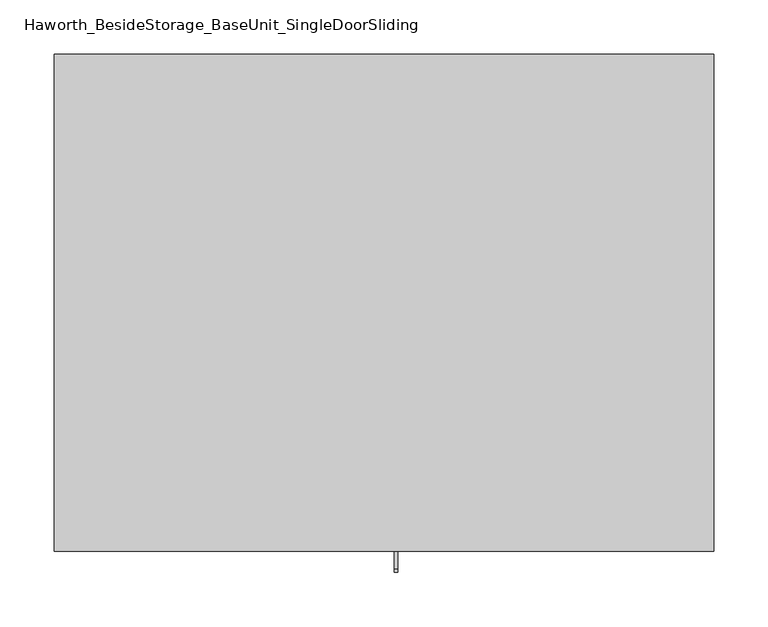
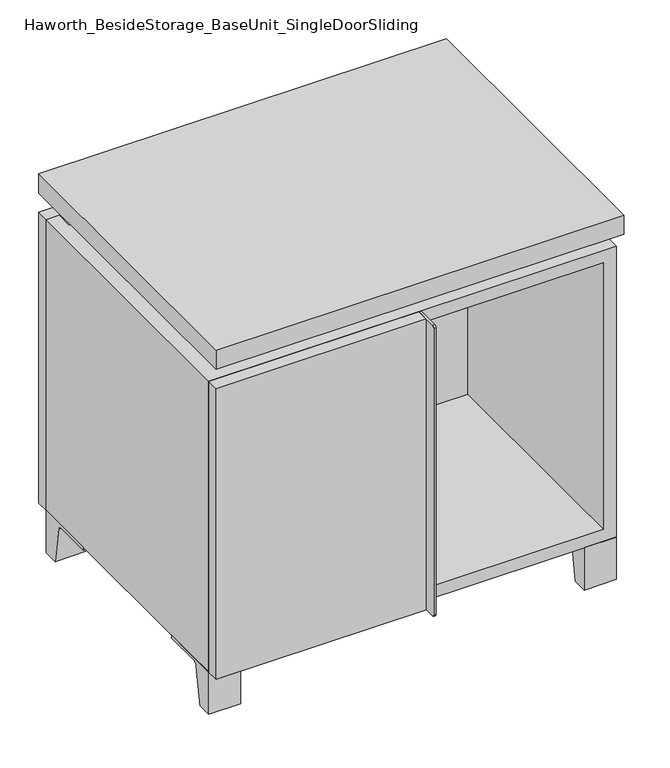
"""IFC4 building model written with IfcOpenShell, lengths in millimetres: furniture geometry, Haworth_BesideStorage_BaseUnit_SingleDoorSliding."""

from ifc_helpers import new_model, si_unit, point, frame, frame_2d, origin, place, context, project, spatial, polyline, circle_curve, trimmed, segment, composite_curve, outline, extrude, faceted_brep, source, transform, mapped, element, save


def haworth_besidestorage_baseunit_singledoorsliding_4966c2f8(model_context):
    return source(origin(), model_context, "Body", "SolidModel", [
        extrude(outline(composite_curve([segment(polyline([(-123.2958469, 0.0), (-146.05, 0.0), (-146.05, 66.675), (-50.8, 66.675), (-50.8, 61.8963321), (-107.6005345, 61.8963321)]), True, "CONTINUOUS"), segment(trimmed(circle_curve(frame_2d((-107.6005345, 55.5463321)), 6.35), [point((-107.6005345, 61.8963321))], [point((-113.8641359, 56.5902656))], True, "CARTESIAN"), True, "CONTINUOUS"), segment(polyline([(-113.8641359, 56.5902656), (-123.2958469, 0.0)]), True, "CONTINUOUS")], self_intersect=False)), frame((255.6013906, 0.0, 0.0), z_axis=(1.0, 0.0, 0.0), x_axis=(0.0, 1.0, 0.0)), (0.0, 0.0, 1.0), 47.625),
        extrude(outline(composite_curve([segment(polyline([(250.2958469, 0.0), (240.8641359, 56.5902656)]), True, "CONTINUOUS"), segment(trimmed(circle_curve(frame_2d((234.6005345, 55.5463321)), 6.35), [point((240.8641359, 56.5902656))], [point((234.6005345, 61.8963321))], True, "CARTESIAN"), True, "CONTINUOUS"), segment(polyline([(234.6005345, 61.8963321), (177.8, 61.8963321), (177.8, 66.675), (273.05, 66.675), (273.05, 0.0), (250.2958469, 0.0)]), True, "CONTINUOUS")], self_intersect=False)), frame((255.6013906, 0.0, 0.0), z_axis=(1.0, 0.0, 0.0), x_axis=(0.0, 1.0, 0.0)), (0.0, 0.0, 1.0), 47.625),
        extrude(outline(composite_curve([segment(polyline([(-123.2958469, 0.0), (-146.05, 0.0), (-146.05, 66.675), (-50.8, 66.675), (-50.8, 61.8963321), (-107.6005345, 61.8963321)]), True, "CONTINUOUS"), segment(trimmed(circle_curve(frame_2d((-107.6005345, 55.5463321)), 6.35), [point((-107.6005345, 61.8963321))], [point((-113.8641359, 56.5902656))], True, "CARTESIAN"), True, "CONTINUOUS"), segment(polyline([(-113.8641359, 56.5902656), (-123.2958469, 0.0)]), True, "CONTINUOUS")], self_intersect=False)), frame((-303.1986094, 0.0, 0.0), z_axis=(1.0, 0.0, 0.0), x_axis=(0.0, 1.0, 0.0)), (0.0, 0.0, 1.0), 47.625),
        extrude(outline(composite_curve([segment(polyline([(250.2958469, 0.0), (240.8641359, 56.5902656)]), True, "CONTINUOUS"), segment(trimmed(circle_curve(frame_2d((234.6005345, 55.5463321)), 6.35), [point((240.8641359, 56.5902656))], [point((234.6005345, 61.8963321))], True, "CARTESIAN"), True, "CONTINUOUS"), segment(polyline([(234.6005345, 61.8963321), (177.8, 61.8963321), (177.8, 66.675), (273.05, 66.675), (273.05, 0.0), (250.2958469, 0.0)]), True, "CONTINUOUS")], self_intersect=False)), frame((-303.1986094, 0.0, 0.0), z_axis=(1.0, 0.0, 0.0), x_axis=(0.0, 1.0, 0.0)), (0.0, 0.0, 1.0), 47.625),
        faceted_brep([(-303.1986094, -146.05, 66.675), (303.2125, -146.05, 66.675), (303.2125, -146.05, 523.875), (-303.1986094, -146.05, 523.875), (-284.1486094, -146.05, 85.725), (-284.1486094, -146.05, 504.825), (284.1694453, -146.05, 504.825), (284.1486094, -146.05, 85.725), (-303.1986094, 273.05, 66.675), (-303.1986094, 273.05, 523.875), (-284.1486094, 273.05, 523.875), (-284.1486094, 273.05, 85.725), (284.1486094, 273.05, 85.725), (284.1486094, 273.05, 523.875), (303.2125, 273.05, 523.875), (303.2125, 273.05, 66.675), (284.1486094, 247.65, 523.875), (-284.1416641, 247.65, 523.875), (-284.1486094, 247.65, 504.825), (284.1486094, 247.65, 504.825)], [[[0, 1, 2, 3], [4, 5, 6, 7]], [[8, 9, 10, 11, 12, 13, 14, 15]], [[1, 0, 8, 15]], [[2, 1, 15, 14]], [[3, 2, 14, 13, 16, 17, 10, 9]], [[0, 3, 9, 8]], [[11, 10, 17, 18, 5, 4]], [[13, 12, 7, 6, 19, 16]], [[4, 7, 12, 11]], [[6, 5, 18, 19]], [[17, 16, 19, 18]]]),
        extrude(outline(polyline([(303.2263906, -165.1), (-303.1986094, -165.1), (-303.1986094, 292.1), (303.2263906, 292.1), (303.2263906, -165.1)])), frame((0.0, 0.0, 554.0375), z_axis=(0.0, 0.0, 1.0), x_axis=(1.0, 0.0, 0.0)), (0.0, 0.0, 1.0), 30.1625),
        faceted_brep([(7.9513906, -69.85, 554.0375), (7.9513906, -69.85, 523.875), (7.9513906, 53.975, 523.875), (7.9513906, 53.975, 554.0375), (7.9513906, 196.85, 523.875), (7.9513906, 196.85, 554.0375), (7.9513906, 73.025, 554.0375), (7.9513906, 73.025, 523.875), (-7.9236094, 196.85, 554.0375), (-7.9236094, 196.85, 523.875), (-7.9236094, 73.025, 523.875), (-7.9236094, 73.025, 554.0375), (-7.9236094, -69.85, 523.875), (-7.9236094, -69.85, 554.0375), (-7.9236094, 53.975, 554.0375), (-7.9236094, 53.975, 523.875), (-261.8958281, 73.025, 554.0375), (-261.9166641, 247.65, 554.0375), (-277.7916641, 247.65, 554.0375), (-277.7916641, -120.65, 554.0375), (-261.9166641, -120.65, 554.0375), (-261.9166641, 53.975, 554.0375), (261.9236094, 53.975, 554.0375), (261.9236094, -120.65, 554.0375), (277.7986094, -120.65, 554.0375), (277.7986094, 247.65, 554.0375), (261.9236094, 247.65, 554.0375), (261.9236094, 73.025, 554.0375), (-261.8958281, 53.975, 523.875), (-261.9166641, -120.65, 523.875), (-277.7916641, -120.65, 523.875), (-277.7916641, 247.65, 523.875), (-261.9166641, 247.65, 523.875), (-261.9166641, 73.025, 523.875), (261.9236094, 73.025, 523.875), (261.9236094, 247.65, 523.875), (277.7986094, 247.65, 523.875), (277.7986094, -120.65, 523.875), (261.9236094, -120.65, 523.875), (261.9236094, 53.975, 523.875)], [[[0, 1, 2, 3]], [[4, 5, 6, 7]], [[8, 9, 10, 11]], [[12, 13, 14, 15]], [[5, 8, 11, 16, 17, 18, 19, 20, 21, 14, 13, 0, 3, 22, 23, 24, 25, 26, 27, 6]], [[1, 12, 15, 28, 29, 30, 31, 32, 33, 10, 9, 4, 7, 34, 35, 36, 37, 38, 39, 2]], [[5, 4, 9, 8]], [[1, 0, 13, 12]], [[6, 27, 34, 7]], [[22, 3, 2, 39]], [[20, 29, 28, 21]], [[32, 17, 16, 33]], [[18, 31, 30, 19]], [[29, 20, 19, 30]], [[17, 32, 31, 18]], [[26, 35, 34, 27]], [[38, 23, 22, 39]], [[25, 24, 37, 36]], [[23, 38, 37, 24]], [[35, 26, 25, 36]], [[16, 11, 10, 33]], [[14, 21, 28, 15]]]),
        extrude(outline(polyline([(9.5388906, 203.2), (9.5388906, -146.05), (-9.5111094, -146.05), (-9.5111094, 203.2), (9.5388906, 203.2)])), frame((0.0, 0.0, 85.725), z_axis=(0.0, 0.0, 1.0), x_axis=(1.0, 0.0, 0.0)), (0.0, 0.0, 1.0), 419.1),
        extrude(outline(polyline([(303.2263906, 273.05), (-303.1986094, 273.05), (-303.1986094, 292.1), (303.2263906, 292.1), (303.2263906, 273.05)])), frame((0.0, 0.0, 66.675), z_axis=(0.0, 0.0, 1.0), x_axis=(1.0, 0.0, 0.0)), (0.0, 0.0, 1.0), 457.2),
        extrude(outline(polyline([(-284.1416641, 203.2), (-284.1416641, 209.55), (284.1694453, 209.55), (284.1694453, 203.2), (-284.1416641, 203.2)])), frame((0.0, 0.0, 85.725), z_axis=(0.0, 0.0, 1.0), x_axis=(1.0, 0.0, 0.0)), (0.0, 0.0, 1.0), 419.1),
        extrude(outline(composite_curve([segment(polyline([(-146.05, 523.875), (-146.05, 66.675), (-180.975, 66.675)]), True, "CONTINUOUS"), segment(trimmed(circle_curve(frame_2d((-180.975, 69.85)), 3.175), [point((-180.975, 66.675))], [point((-184.15, 69.85))], False, "CARTESIAN"), True, "CONTINUOUS"), segment(polyline([(-184.15, 69.85), (-184.15, 520.7)]), True, "CONTINUOUS"), segment(trimmed(circle_curve(frame_2d((-180.975, 520.7)), 3.175), [point((-184.15, 520.7))], [point((-180.975, 523.875))], False, "CARTESIAN"), True, "CONTINUOUS"), segment(polyline([(-180.975, 523.875), (-146.05, 523.875)]), True, "CONTINUOUS")], self_intersect=False)), frame((9.5388906, 0.0, 0.0), z_axis=(1.0, 0.0, 0.0), x_axis=(0.0, 1.0, 0.0)), (0.0, 0.0, 1.0), 3.175),
        extrude(outline(polyline([(-303.1986094, -146.05), (9.5388906, -146.05), (9.5388906, -165.1), (-303.1986094, -165.1), (-303.1986094, -146.05)])), frame((0.0, 0.0, 66.675), z_axis=(0.0, 0.0, 1.0), x_axis=(1.0, 0.0, 0.0)), (0.0, 0.0, 1.0), 457.2),
    ])


if __name__ == "__main__":
    model = new_model("IFC4")
    model_context = context("Model", 3, world=origin())
    ifc_project = project(units=[si_unit("LENGTHUNIT", "METRE", prefix="MILLI")], contexts=[model_context])
    site = spatial("IfcSite", under=ifc_project)
    building = spatial("IfcBuilding", under=site)
    placement = place(None, origin())
    haworth_besidestorage_baseunit_singledoorsliding_shape = haworth_besidestorage_baseunit_singledoorsliding_4966c2f8(model_context)
    element("IfcFurniture", 1, ObjectType="Haworth_BesideStorage_BaseUnit_SingleDoorSliding", at=placement, inside=building, context=model_context, shape_type="MappedRepresentation", body=[
        mapped(haworth_besidestorage_baseunit_singledoorsliding_shape, transform((0.0, 0.0, 0.0), x_axis=(1.0, 0.0, 0.0), y_axis=(0.0, 1.0, 0.0), z_axis=(0.0, 0.0, 1.0))),
    ])
    save(model, "model.ifc")
